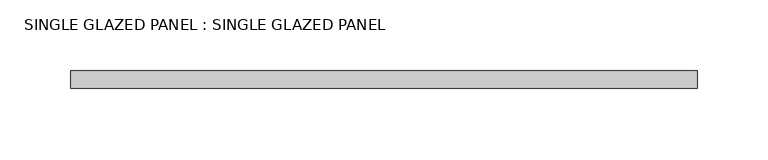
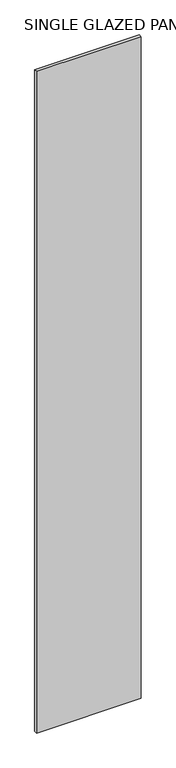
"""IFC4 building model written with IfcOpenShell, lengths in millimetres: plate geometry, SINGLE GLAZED PANEL : SINGLE GLAZED PANEL."""

from ifc_helpers import new_model, si_unit, origin, origin_with_axes, place, context, project, spatial, polyline, outline, extrude, source, transform, mapped, element, save


def single_glazed_panel_single_glazed_panel_e12cce9d(model_context):
    return source(origin(), model_context, "Body", "SweptSolid", [
        extrude(outline(polyline([(222.25, -6.35), (-222.25, -6.35), (-222.25, 6.35), (222.25, 6.35), (222.25, -6.35)])), origin_with_axes(), (0.0, 0.0, 1.0), 2968.625),
    ])


if __name__ == "__main__":
    model = new_model("IFC4")
    model_context = context("Model", 3, world=origin())
    ifc_project = project(units=[si_unit("LENGTHUNIT", "METRE", prefix="MILLI")], contexts=[model_context])
    site = spatial("IfcSite", under=ifc_project)
    building = spatial("IfcBuilding", under=site)
    placement = place(None, origin())
    single_glazed_panel_single_glazed_panel_shape = single_glazed_panel_single_glazed_panel_e12cce9d(model_context)
    element("IfcPlate", 1, ObjectType="SINGLE GLAZED PANEL : SINGLE GLAZED PANEL", at=placement, inside=building, context=model_context, shape_type="MappedRepresentation", body=[
        mapped(single_glazed_panel_single_glazed_panel_shape, transform((0.0, 0.0, 0.0), x_axis=(1.0, 0.0, 0.0), y_axis=(0.0, 1.0, 0.0), z_axis=(0.0, 0.0, 1.0))),
    ])
    save(model, "model.ifc")
